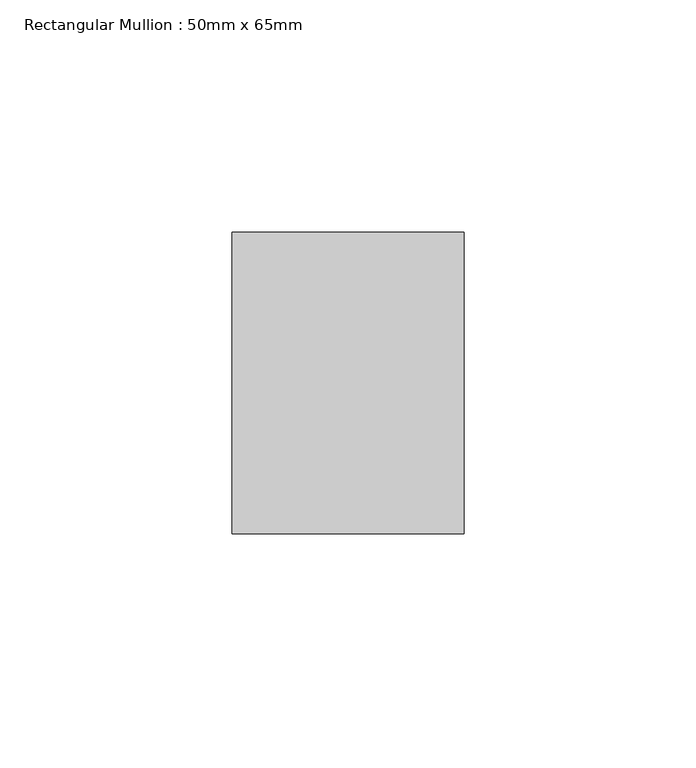
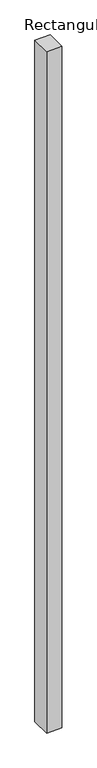
"""IFC4 building model written with IfcOpenShell, lengths in millimetres: member geometry, Rectangular Mullion : 50mm x 65mm."""

import ifcopenshell
import ifcopenshell.guid

model = None  # the IFC model being written
_history = None  # IfcOwnerHistory: only IFC2X3 demands one
_inside = {}  # id of a spatial element -> (the spatial element, [elements in it])
_under = {}  # id of a project, library or spatial element -> (it, [spatial elements below it])
_declared = {}  # id of a project -> (the project, [libraries it declares])
_typed = {}  # id of a type object -> (the type object, [elements of that type])
_made_of = {}  # id of a material, layer set ... -> (it, [elements and type objects made of it])


def new_model(schema):
    """Start an empty IFC model of exactly this schema.

    Asked for "IFC4X3", IfcOpenShell would pick the latest addendum, in which some entities
    have other attributes; the version numbers below select the first issue.
    IFC2X3 requires an IfcOwnerHistory on every rooted entity: one is made here for all.
    """
    global model, _history
    if schema == "IFC4X3":
        model = ifcopenshell.file(schema_version=(4, 3, 0, 0))
    else:
        model = ifcopenshell.file(schema=schema)
    _inside.clear()
    _under.clear()
    _declared.clear()
    _typed.clear()
    _made_of.clear()
    _history = None
    if model.schema == "IFC2X3":
        org = make("IfcOrganization", Name="unknown")
        user = make(
            "IfcPersonAndOrganization",
            ThePerson=make("IfcPerson", FamilyName="unknown"),
            TheOrganization=org,
        )
        app = make(
            "IfcApplication",
            ApplicationDeveloper=org,
            Version="unknown",
            ApplicationFullName="unknown",
            ApplicationIdentifier="unknown",
        )
        _history = make(
            "IfcOwnerHistory",
            OwningUser=user,
            OwningApplication=app,
            ChangeAction="ADDED",
            CreationDate=0,
        )
    return model


def make(cls, **values):
    """One entity of the class cls with the attributes given. An attribute that is None is left unset."""
    return model.create_entity(
        cls, **{name: value for name, value in values.items() if value is not None}
    )


def rooted(cls, **values):
    """An entity with a GlobalId (a new one), such as an element, a storey or a relation."""
    return make(cls, GlobalId=ifcopenshell.guid.new(), OwnerHistory=_history, **values)


def si_unit(unit_type, name, prefix=None):
    """IfcSIUnit, for example si_unit("LENGTHUNIT", "METRE", prefix="MILLI")."""
    return make("IfcSIUnit", UnitType=unit_type, Prefix=prefix, Name=name)


def assignment(units):
    """IfcUnitAssignment: the units of a project."""
    return None if units is None else make("IfcUnitAssignment", Units=units)


def point(xyz):
    """IfcCartesianPoint."""
    return None if xyz is None else make("IfcCartesianPoint", Coordinates=xyz)


def direction(xyz):
    """IfcDirection."""
    return None if xyz is None else make("IfcDirection", DirectionRatios=xyz)


def frame(location, z_axis=None, x_axis=None):
    """IfcAxis2Placement3D, a coordinate frame: its origin and axes. An axis left out is left unset."""
    return make(
        "IfcAxis2Placement3D",
        Location=point(location),
        Axis=direction(z_axis),
        RefDirection=direction(x_axis),
    )


def origin():
    """The frame at (0, 0, 0) with its axes left unset."""
    return frame((0.0, 0.0, 0.0))


def place(relative_to, where):
    """IfcLocalPlacement: puts the frame where relative to a parent placement (None: the world)."""
    return make(
        "IfcLocalPlacement", PlacementRelTo=relative_to, RelativePlacement=where
    )


def context(
    kind, dimensions, precision=None, world=None, true_north=None, identifier=None
):
    """IfcGeometricRepresentationContext, for example the 3D "Model" context."""
    return make(
        "IfcGeometricRepresentationContext",
        ContextIdentifier=identifier,
        ContextType=kind,
        CoordinateSpaceDimension=dimensions,
        Precision=precision,
        WorldCoordinateSystem=world,
        TrueNorth=true_north,
    )


def project(units=None, contexts=None):
    """IfcProject with its units and contexts."""
    return rooted(
        "IfcProject",
        Name="project",
        RepresentationContexts=contexts,
        UnitsInContext=assignment(units),
    )


def spatial(cls, under=None, at=None, **own):
    """A site, building, storey or space (cls), placed at a placement, below another one or the project."""
    s = rooted(cls, ObjectPlacement=at, **own)
    if under is not None:
        _under.setdefault(under.id(), (under, []))[1].append(s)
    return s


def polyline(points):
    """IfcPolyline through the points."""
    return make("IfcPolyline", Points=[point(p) for p in points])


def outline(outer, holes=None, kind="AREA"):
    """IfcArbitraryClosedProfileDef: a profile drawn as a closed curve; with holes, ...WithVoids."""
    if holes is None:
        return make("IfcArbitraryClosedProfileDef", ProfileType=kind, OuterCurve=outer)
    return make(
        "IfcArbitraryProfileDefWithVoids",
        ProfileType=kind,
        OuterCurve=outer,
        InnerCurves=holes,
    )


def extrude(swept, where, along, depth):
    """IfcExtrudedAreaSolid: the profile swept, set in the frame where, extruded along a direction by depth."""
    return make(
        "IfcExtrudedAreaSolid",
        SweptArea=swept,
        Position=where,
        ExtrudedDirection=direction(along),
        Depth=depth,
    )


def shape(context_of_items, identifier, shape_type, items):
    """IfcShapeRepresentation: the items that make up one representation, for example the "Body"."""
    return make(
        "IfcShapeRepresentation",
        ContextOfItems=context_of_items,
        RepresentationIdentifier=identifier,
        RepresentationType=shape_type,
        Items=items,
    )


def source(mapping_origin, context_of_items, identifier, shape_type, items):
    """IfcRepresentationMap: a shape defined once, which mapped items show again and again."""
    return make(
        "IfcRepresentationMap",
        MappingOrigin=mapping_origin,
        MappedRepresentation=shape(context_of_items, identifier, shape_type, items),
    )


def transform(
    local_origin,
    x_axis=None,
    y_axis=None,
    z_axis=None,
    scale=None,
    scale2=None,
    scale3=None,
    uniform=True,
):
    """IfcCartesianTransformationOperator3D, or its non-uniform kind. x_axis, y_axis, z_axis: its Axis1, 2, 3."""
    if uniform:
        return make(
            "IfcCartesianTransformationOperator3D",
            Axis1=direction(x_axis),
            Axis2=direction(y_axis),
            LocalOrigin=point(local_origin),
            Scale=scale,
            Axis3=direction(z_axis),
        )
    return make(
        "IfcCartesianTransformationOperator3DnonUniform",
        Axis1=direction(x_axis),
        Axis2=direction(y_axis),
        LocalOrigin=point(local_origin),
        Scale=scale,
        Axis3=direction(z_axis),
        Scale2=scale2,
        Scale3=scale3,
    )


def mapped(mapping_source, mapping_target):
    """IfcMappedItem: shows the shape of a source again, moved by a transform."""
    return make(
        "IfcMappedItem", MappingSource=mapping_source, MappingTarget=mapping_target
    )


def made_of(thing, what):
    """Note that an element or type object is made of a material, layer set ...; save() writes the relation."""
    if what is not None:
        _made_of.setdefault(what.id(), (what, []))[1].append(thing)
    return thing


def element(
    cls,
    number,
    at=None,
    inside=None,
    cuts=None,
    type_object=None,
    material=None,
    context=None,
    identifier="Body",
    shape_type=None,
    held_by="IfcProductDefinitionShape",
    body=None,
    shapes=None,
    **own,
):
    """One element of the class cls, such as IfcWall. Its Tag is "e" and its number.

    at: its placement. inside: the storey or other place that contains it. cuts: it is an
    opening in that element (IfcRelVoidsElement). A single representation is given by context,
    identifier, shape_type and body (its items); several are given by shapes. held_by: the class
    of the entity that holds the representations. save() writes the other relations.
    """
    e = rooted(cls, Tag="e%d" % number, ObjectPlacement=at, **own)
    if body is not None:
        shapes = [shape(context, identifier, shape_type, body)]
    if shapes is not None:
        e.Representation = make(held_by, Representations=shapes)
    if inside is not None:
        _inside.setdefault(inside.id(), (inside, []))[1].append(e)
    if cuts is not None:
        rooted(
            "IfcRelVoidsElement", RelatingBuildingElement=cuts, RelatedOpeningElement=e
        )
    if type_object is not None:
        _typed.setdefault(type_object.id(), (type_object, []))[1].append(e)
    return made_of(e, material)


def aggregate(whole, parts):
    """IfcRelAggregates: a whole, such as a stair, and the parts it consists of."""
    return rooted("IfcRelAggregates", RelatingObject=whole, RelatedObjects=parts)


def save(model, path):
    """Write the relations noted so far, then the file.

    IfcRelAggregates (storeys below a building ...), IfcRelContainedInSpatialStructure (elements
    in a storey), IfcRelDefinesByType, IfcRelAssociatesMaterial and IfcRelDeclares: one each for
    every whole, place, type object, material and project.
    """
    for whole, parts in _under.values():
        aggregate(whole, parts)
    for where, things in _inside.values():
        rooted(
            "IfcRelContainedInSpatialStructure",
            RelatedElements=things,
            RelatingStructure=where,
        )
    for kind, things in _typed.values():
        rooted("IfcRelDefinesByType", RelatedObjects=things, RelatingType=kind)
    for what, things in _made_of.values():
        rooted("IfcRelAssociatesMaterial", RelatedObjects=things, RelatingMaterial=what)
    for by, libraries in _declared.values():
        rooted("IfcRelDeclares", RelatingContext=by, RelatedDefinitions=libraries)
    model.write(path)


def rectangular_mullion_50mm_x_65mm_2067895b(model_context):
    return source(origin(), model_context, "Body", "SweptSolid", [
        extrude(outline(polyline([(25.0, 32.5), (25.0, -32.5), (-25.0, -32.5), (-25.0, 32.5), (25.0, 32.5)])), frame((0.0, 0.0, -2332.1777198), z_axis=(0.0, 0.0, 1.0), x_axis=(1.0, 0.0, 0.0)), (0.0, 0.0, 1.0), 2332.1777198),
    ])


if __name__ == "__main__":
    model = new_model("IFC4")
    model_context = context("Model", 3, world=origin())
    ifc_project = project(units=[si_unit("LENGTHUNIT", "METRE", prefix="MILLI")], contexts=[model_context])
    site = spatial("IfcSite", under=ifc_project)
    building = spatial("IfcBuilding", under=site)
    placement = place(None, origin())
    rectangular_mullion_50mm_x_65mm_shape = rectangular_mullion_50mm_x_65mm_2067895b(model_context)
    element("IfcMember", 1, ObjectType="Rectangular Mullion : 50mm x 65mm", at=placement, inside=building, context=model_context, shape_type="MappedRepresentation", body=[
        mapped(rectangular_mullion_50mm_x_65mm_shape, transform((0.0, 0.0, 0.0), x_axis=(1.0, 0.0, 0.0), y_axis=(0.0, 1.0, 0.0), z_axis=(0.0, 0.0, 1.0))),
    ])
    save(model, "model.ifc")
